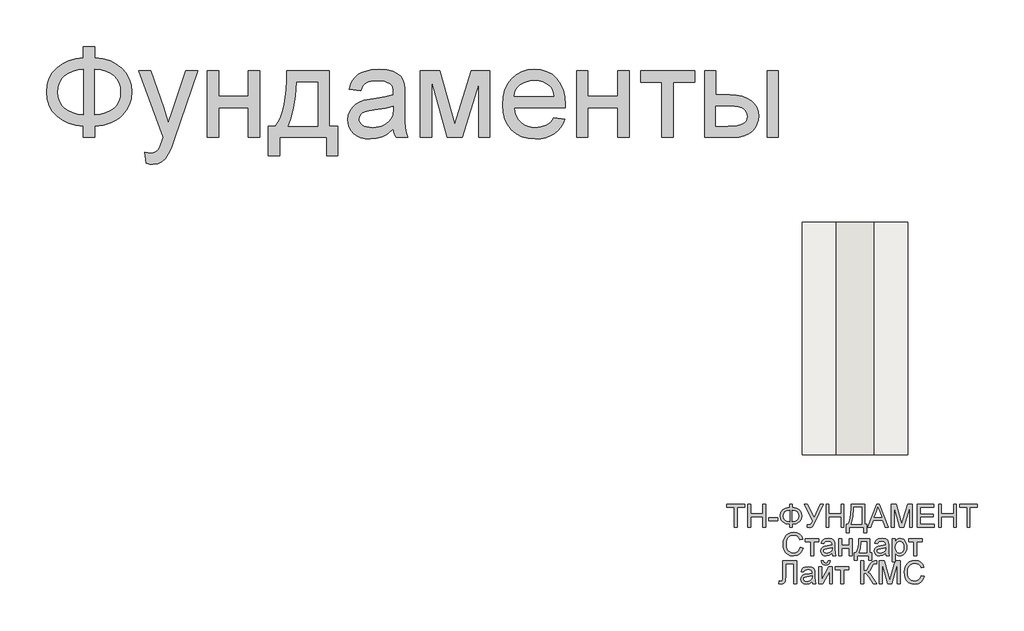
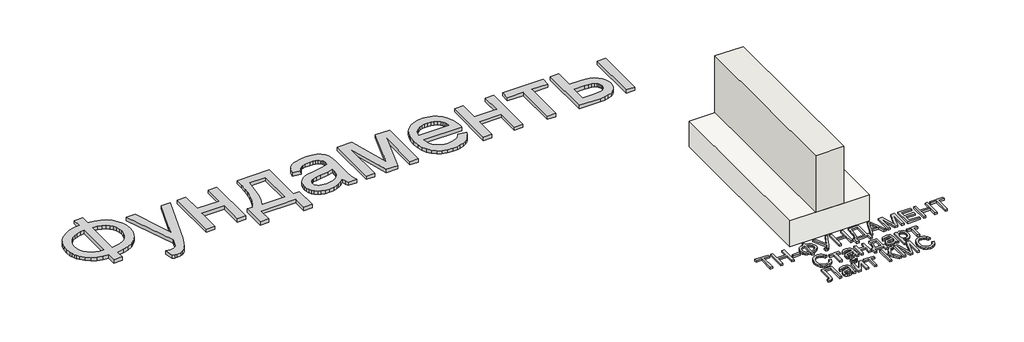
# One storey: 2 proxies, 1 slab, 1 wall.
"""IFC4 building model written with IfcOpenShell, lengths in millimetres."""

from ifc_helpers import new_model, si_unit, origin, origin_with_axes, place, context, project, spatial, polyline, outline, extrude, faceted_brep, element, save

model = new_model("IFC4")

# Units and contexts
model_context = context("Model", 3, world=origin())
ifc_project = project(units=[si_unit("LENGTHUNIT", "METRE", prefix="MILLI")], contexts=[model_context])

# Site, building, storey
site = spatial("IfcSite", under=ifc_project)
building = spatial("IfcBuilding", under=site)
storey = spatial("IfcBuildingStorey", under=building, Elevation=0.0)

# Proxies
placement = place(None, origin())
element("IfcBuildingElementProxy", 1, Name="Generic Models", at=placement, inside=storey, context=model_context, shape_type="SweptSolid", body=[
    extrude(outline(polyline([(-1939.8736325, -26885.7211043), (-1939.8736325, -26787.7817103), (-1841.9342386, -26787.7817103), (-1841.9342386, -26885.7211043), (-1772.0723186, -26894.3529698), (-1709.9695132, -26912.2144755), (-1655.6258224, -26939.3056213), (-1609.0412461, -26975.6264073), (-1571.6743546, -27019.0607113), (-1544.9837177, -27067.4924111), (-1528.9693356, -27120.9215067), (-1523.6312083, -27179.3479982), (-1528.8019587, -27236.6028514), (-1544.3142102, -27289.3863505), (-1570.1679625, -27337.6984954), (-1606.3632158, -27381.5392861), (-1628.1416397, -27401.1761824), (-1652.1109076, -27418.4817577), (-1706.6219753, -27446.0989452), (-1769.896419, -27464.3908486), (-1841.9342386, -27473.3574679), (-1841.9342386, -27571.2968619), (-1939.8736325, -27571.2968619), (-1939.8736325, -27473.3574679), (-2005.3060425, -27466.0586398), (-2065.0237272, -27449.518216), (-2119.0266865, -27423.7361966), (-2167.3149204, -27388.7125816), (-2207.0669327, -27345.8939854), (-2222.6837947, -27322.10405), (-2235.4612272, -27296.7270228), (-2245.3992303, -27269.7629041), (-2252.4978039, -27241.2116938), (-2258.1766628, -27179.3479982), (-2252.5157371, -27117.2033486), (-2245.4395801, -27088.5878775), (-2235.5329602, -27061.6103088), (-2222.7958774, -27036.2706426), (-2207.2283318, -27012.5688789), (-2188.8303234, -26990.5050176), (-2167.6018522, -26970.0790588), (-2119.4032845, -26935.3961753), (-2065.382392, -26909.775555), (-2005.5391746, -26893.217198), (-1939.8736325, -26885.7211043)]), holes=[polyline([(-1841.9342386, -26983.6604982), (-1841.9342386, -27375.418074), (-1793.3949393, -27370.2234125), (-1750.3073446, -27359.2303372), (-1712.6714545, -27342.4388481), (-1680.4872689, -27319.8489452), (-1654.7112272, -27291.9627591), (-1636.2997689, -27259.2824206), (-1625.2528939, -27221.8079296), (-1621.5706022, -27179.5392861), (-1625.1871387, -27137.922217), (-1636.036748, -27100.872146), (-1654.1194303, -27068.389073), (-1679.4351855, -27040.4729982), (-1711.2905951, -27017.6977852), (-1748.9922405, -27000.6372975), (-1792.5401216, -26989.2915352), (-1841.9342386, -26983.6604982)]), polyline([(-1939.8736325, -26983.6604982), (-1986.781007, -26988.5861611), (-2028.989873, -26999.3461043), (-2066.5002305, -27015.9403278), (-2099.3120795, -27038.3688316), (-2125.9668498, -27066.2012179), (-2145.0059715, -27099.0070891), (-2156.4294445, -27136.7864452), (-2160.2372689, -27179.5392861), (-2156.4772665, -27221.9035735), (-2145.1972594, -27259.4737085), (-2126.3972476, -27292.2496909), (-2100.077231, -27320.231521), (-2067.5044919, -27342.8692459), (-2029.9463124, -27359.612913), (-1987.4026926, -27370.4625224), (-1939.8736325, -27375.418074), (-1939.8736325, -26983.6604982)])]), origin_with_axes(), (0.0, 0.0, 1.0), 40.0),
    extrude(outline(polyline([(-1401.2069658, -27791.6604982), (-1413.4493901, -27697.355574), (-1386.764731, -27703.8115399), (-1363.7145416, -27705.9635285), (-1337.5559242, -27703.2615872), (-1317.2315871, -27695.1557634), (-1301.4025151, -27682.2199206), (-1288.7296931, -27665.0279225), (-1261.9493901, -27592.9123922), (-1254.2978749, -27569.1926952), (-1462.4190871, -26995.9029225), (-1359.1236325, -26995.9029225), (-1248.7505264, -27315.35368), (-1210.3016628, -27443.1339831), (-1171.8527992, -27330.2741346), (-1058.4190871, -26995.9029225), (-955.888784, -26995.9029225), (-1156.1671931, -27585.0695891), (-1185.9124583, -27663.4019755), (-1208.1974961, -27712.8498922), (-1234.8343333, -27753.6420323), (-1265.0099961, -27781.9048164), (-1300.0634999, -27798.403396), (-1341.3338598, -27803.9029225), (-1369.6922878, -27800.8423164), (-1401.2069658, -27791.6604982)])), origin_with_axes(), (0.0, 0.0, 1.0), 40.0),
    extrude(outline(polyline([(-874.7827234, -26995.9029225), (-776.8433295, -26995.9029225), (-776.8433295, -27216.2665588), (-519.7524204, -27216.2665588), (-519.7524204, -26995.9029225), (-421.8130264, -26995.9029225), (-421.8130264, -27571.2968619), (-519.7524204, -27571.2968619), (-519.7524204, -27314.2059528), (-776.8433295, -27314.2059528), (-776.8433295, -27571.2968619), (-874.7827234, -27571.2968619), (-874.7827234, -26995.9029225)])), origin_with_axes(), (0.0, 0.0, 1.0), 40.0),
    extrude(outline(polyline([(-189.2069658, -26995.9029225), (178.0657614, -26995.9029225), (178.0657614, -27473.3574679), (251.5203069, -27473.3574679), (251.5203069, -27730.448377), (153.5809129, -27730.448377), (153.5809129, -27571.2968619), (-250.4190871, -27571.2968619), (-250.4190871, -27730.448377), (-348.358481, -27730.448377), (-348.358481, -27473.3574679), (-287.1463598, -27473.3574679), (-263.2293972, -27436.3970631), (-242.648017, -27392.9448259), (-225.4022192, -27343.0007563), (-211.4920037, -27286.5648543), (-200.9173707, -27223.6371199), (-193.67832, -27154.2175531), (-189.7748517, -27078.306154), (-189.2069658, -26995.9029225)]), holes=[polyline([(-103.5099961, -27093.8423164), (-111.5440871, -27213.7559054), (-126.4645416, -27316.979627), (-148.2713598, -27403.5134812), (-161.7571552, -27440.521708), (-176.9645416, -27473.3574679), (80.1263675, -27473.3574679), (80.1263675, -27093.8423164), (-103.5099961, -27093.8423164)])]), origin_with_axes(), (0.0, 0.0, 1.0), 40.0),
    extrude(outline(polyline([(728.9748523, -27497.8423164), (682.181055, -27537.964949), (658.2640924, -27552.8256261), (634.0004205, -27564.2192103), (583.3330436, -27578.7092672), (529.079019, -27583.5392861), (485.4713604, -27580.6341014), (447.2317179, -27571.9185475), (414.3600914, -27557.3926242), (386.8564811, -27537.0563316), (365.1393291, -27512.2008628), (349.6270777, -27484.1174111), (340.3197269, -27452.8059764), (337.2172766, -27418.2665588), (341.9038296, -27377.6657066), (355.9634887, -27340.7949679), (377.650752, -27309.2324679), (405.2201175, -27284.5563316), (437.619502, -27265.9057634), (473.796822, -27252.4199679), (558.5373523, -27237.6908013), (658.6765569, -27222.1964831), (728.4009887, -27204.0241346), (728.9748523, -27182.2173164), (727.2891279, -27158.4737085), (722.2319546, -27138.5080361), (713.8033325, -27122.3202994), (702.0032614, -27109.9104982), (681.6071914, -27097.5246081), (656.7636781, -27088.6775437), (627.4727217, -27083.369305), (593.734322, -27081.5998922), (535.391519, -27086.3103562), (512.8195493, -27092.1984362), (494.6472008, -27100.4417482), (479.7147908, -27111.6858888), (466.8626364, -27126.5764547), (456.0907378, -27145.1134457), (447.3990948, -27167.2968619), (349.4597008, -27155.0544376), (366.4604111, -27101.4938316), (378.0990829, -27079.0175058), (391.829966, -27059.4104982), (408.2448571, -27042.2782776), (427.9355531, -27027.2263126), (450.902054, -27014.2546033), (477.1443599, -27003.3631497), (537.3283088, -26988.5861611), (606.359322, -26983.6604982), (672.5688391, -26988.0122975), (725.0534508, -27001.0676952), (764.6261307, -27020.6986138), (792.0998523, -27044.7769755), (810.3200228, -27074.5461516), (822.1320493, -27111.2495134), (825.718697, -27145.1074679), (826.9142463, -27196.9464831), (826.9142463, -27318.7968619), (828.1576175, -27424.9377236), (831.8877311, -27488.94743), (839.2523145, -27531.0068524), (851.3990948, -27571.2968619), (753.4597008, -27571.2968619), (737.7740948, -27537.2476194), (728.9748523, -27497.8423164)]), holes=[polyline([(728.9748523, -27301.9635285), (663.171822, -27318.2708202), (570.9710645, -27331.9957255), (520.1602217, -27339.5037747), (486.7087539, -27347.8726194), (464.7823807, -27358.7282066), (448.546822, -27373.6964831), (438.5042084, -27391.6297217), (435.1566705, -27411.3801952), (436.9798831, -27426.599537), (442.4495209, -27440.5037747), (451.5655839, -27453.0929083), (464.328072, -27464.3669376), (480.6174305, -27473.6563552), (500.3141042, -27480.2916535), (549.9293978, -27485.5998922), (602.5335645, -27479.7417009), (626.5401932, -27472.4189618), (649.016519, -27462.167127), (686.7002311, -27436.2715304), (712.9066705, -27405.450271), (724.5274092, -27373.6964831), (728.4009887, -27329.700271), (728.9748523, -27301.9635285)])]), origin_with_axes(), (0.0, 0.0, 1.0), 40.0),
    extrude(outline(polyline([(961.5809129, -26995.9029225), (1130.1055342, -26995.9029225), (1259.9900039, -27456.5241346), (1400.0127311, -26995.9029225), (1561.4597008, -26995.9029225), (1561.4597008, -27571.2968619), (1463.5203069, -27571.2968619), (1463.5203069, -27107.9976194), (1322.7324281, -27571.2968619), (1194.1869736, -27571.2968619), (1059.5203069, -27085.8082255), (1059.5203069, -27571.2968619), (961.5809129, -27571.2968619), (961.5809129, -26995.9029225)])), origin_with_axes(), (0.0, 0.0, 1.0), 40.0),
    extrude(outline(polyline([(2111.2210645, -27399.9029225), (2207.2475796, -27412.1453467), (2192.5243907, -27450.6061658), (2172.6483845, -27484.4999869), (2147.6195611, -27513.8268098), (2117.4379205, -27538.5866346), (2082.4143055, -27558.2534196), (2042.8595588, -27572.3011232), (1998.7736805, -27580.7297454), (1950.1566705, -27583.5392861), (1889.3869025, -27578.6913339), (1835.2404773, -27564.1474774), (1787.717395, -27539.9077165), (1746.8176554, -27505.9720513), (1713.9280957, -27463.2849656), (1690.4355531, -27412.7909433), (1676.3400275, -27354.4899845), (1671.641519, -27288.3820891), (1676.3878495, -27220.0325389), (1690.626841, -27159.7888126), (1714.3584934, -27107.6509102), (1747.5828069, -27063.6188316), (1788.374947, -27028.6370607), (1834.8100796, -27003.6500816), (1886.8882046, -26988.6578941), (1944.609322, -26983.6604982), (2000.4713604, -26988.6459386), (2050.9892936, -27003.6022596), (2096.1631218, -27028.5294613), (2135.9928448, -27063.4275437), (2168.5058064, -27107.3639783), (2191.7293504, -27159.4062369), (2205.6634769, -27219.5543192), (2210.3081857, -27287.8082255), (2209.734322, -27314.2059528), (1769.5809129, -27314.2059528), (1775.2537941, -27353.2884575), (1786.5338012, -27387.5170323), (1803.4209343, -27416.8916772), (1825.9151932, -27441.4123922), (1852.773207, -27460.7444234), (1882.7516042, -27474.5530172), (1915.850385, -27482.8381734), (1952.0695493, -27485.5998922), (2004.1954963, -27480.4829414), (2048.0960645, -27465.1320891), (2066.9618315, -27453.3798401), (2083.7712539, -27438.590896), (2098.5243315, -27420.7652567), (2111.2210645, -27399.9029225)]), holes=[polyline([(1769.5809129, -27216.2665588), (2112.3687917, -27216.2665588), (2107.3355294, -27188.5537274), (2099.1221061, -27164.5231876), (2087.7285218, -27144.1749395), (2073.1547766, -27127.5089831), (2046.4462065, -27107.4237558), (2016.0553448, -27093.0771649), (1981.9821914, -27084.4692103), (1944.2267463, -27081.5998922), (1909.7889504, -27083.889369), (1878.2085171, -27090.7577994), (1849.4854466, -27102.2051834), (1823.6197387, -27118.231521), (1801.9145422, -27138.0955716), (1785.6730057, -27161.0560948), (1774.8951293, -27187.1130906), (1769.5809129, -27216.2665588)])]), origin_with_axes(), (0.0, 0.0, 1.0), 40.0),
    extrude(outline(polyline([(2308.2475796, -26995.9029225), (2406.1869736, -26995.9029225), (2406.1869736, -27216.2665588), (2663.2778826, -27216.2665588), (2663.2778826, -26995.9029225), (2761.2172766, -26995.9029225), (2761.2172766, -27571.2968619), (2663.2778826, -27571.2968619), (2663.2778826, -27314.2059528), (2406.1869736, -27314.2059528), (2406.1869736, -27571.2968619), (2308.2475796, -27571.2968619), (2308.2475796, -26995.9029225)])), origin_with_axes(), (0.0, 0.0, 1.0), 40.0),
    extrude(outline(polyline([(2859.1566705, -26995.9029225), (3324.3687917, -26995.9029225), (3324.3687917, -27093.8423164), (3140.7324281, -27093.8423164), (3140.7324281, -27571.2968619), (3042.7930342, -27571.2968619), (3042.7930342, -27093.8423164), (2859.1566705, -27093.8423164), (2859.1566705, -26995.9029225)])), origin_with_axes(), (0.0, 0.0, 1.0), 40.0),
    extrude(outline(polyline([(3948.7324281, -26995.9029225), (4046.671822, -26995.9029225), (4046.671822, -27571.2968619), (3948.7324281, -27571.2968619), (3948.7324281, -26995.9029225)])), origin_with_axes(), (0.0, 0.0, 1.0), 40.0),
    extrude(outline(polyline([(3410.0657614, -26995.9029225), (3508.0051554, -26995.9029225), (3508.0051554, -27204.0241346), (3629.0903826, -27204.0241346), (3684.8089551, -27207.0907184), (3733.7487633, -27216.2904698), (3775.9098074, -27231.6233888), (3811.2920872, -27253.0894755), (3839.2858727, -27279.9474892), (3859.2814338, -27311.4561895), (3871.2787704, -27347.6155763), (3875.2778826, -27388.4256497), (3871.924367, -27424.8361019), (3861.8638201, -27458.5087463), (3845.096242, -27489.443583), (3821.6216326, -27517.6406119), (3790.7824399, -27541.1152212), (3751.9211118, -27557.8827994), (3705.0376483, -27567.9433462), (3650.1320493, -27571.2968619), (3410.0657614, -27571.2968619), (3410.0657614, -26995.9029225)]), holes=[polyline([(3508.0051554, -27473.3574679), (3608.6225796, -27473.3574679), (3686.6202122, -27468.2166062), (3715.8274802, -27461.790529), (3738.5070493, -27452.794021), (3755.495804, -27441.0716606), (3767.6306289, -27426.4680266), (3774.9115237, -27408.983119), (3777.3384887, -27388.6169376), (3775.5391871, -27372.1542245), (3770.1412823, -27356.6240399), (3761.1447742, -27342.0263836), (3748.5496629, -27328.3612558), (3729.8094286, -27316.8122501), (3702.3775512, -27308.5629603), (3666.2540308, -27303.6133865), (3621.4388675, -27301.9635285), (3508.0051554, -27301.9635285), (3508.0051554, -27473.3574679)])]), origin_with_axes(), (0.0, 0.0, 1.0), 40.0),
])
element("IfcBuildingElementProxy", 2, Name="Generic Models", at=placement, inside=storey, context=model_context, shape_type="SweptSolid", body=[
    extrude(outline(polyline([(3665.8459778, -30929.3289166), (3665.8459778, -30757.0212243), (3601.2305932, -30757.0212243), (3601.2305932, -30732.4058397), (3755.076747, -30732.4058397), (3755.076747, -30757.0212243), (3690.4613624, -30757.0212243), (3690.4613624, -30929.3289166), (3665.8459778, -30929.3289166)])), origin_with_axes(), (0.0, 0.0, 1.0), 20.0),
    extrude(outline(polyline([(3782.7690547, -30929.3289166), (3782.7690547, -30732.4058397), (3807.3844394, -30732.4058397), (3807.3844394, -30812.4058397), (3911.999824, -30812.4058397), (3911.999824, -30732.4058397), (3936.6152086, -30732.4058397), (3936.6152086, -30929.3289166), (3911.999824, -30929.3289166), (3911.999824, -30837.0212243), (3807.3844394, -30837.0212243), (3807.3844394, -30929.3289166), (3782.7690547, -30929.3289166)])), origin_with_axes(), (0.0, 0.0, 1.0), 20.0),
    extrude(outline(polyline([(3964.3075163, -30870.8673782), (3964.3075163, -30846.2519936), (4041.2305932, -30846.2519936), (4041.2305932, -30870.8673782), (3964.3075163, -30870.8673782)])), origin_with_axes(), (0.0, 0.0, 1.0), 20.0),
    extrude(outline(polyline([(4142.7690547, -30757.0212243), (4142.7690547, -30732.4058397), (4167.3844394, -30732.4058397), (4167.3844394, -30757.0212243), (4200.5515067, -30763.6798782), (4225.9180932, -30779.6173782), (4242.0178528, -30802.7063205), (4247.3844394, -30830.8193012), (4242.186122, -30858.4755512), (4226.5911701, -30881.6366089), (4201.3928528, -30897.8625705), (4167.3844394, -30904.713532), (4167.3844394, -30929.3289166), (4142.7690547, -30929.3289166), (4142.7690547, -30904.713532), (4111.3147278, -30898.7219455), (4085.6055932, -30883.4394936), (4075.6146076, -30872.6777748), (4068.4781894, -30860.3205032), (4062.7690547, -30830.8193012), (4068.4601605, -30801.2279551), (4075.5740427, -30788.9022339), (4085.5334778, -30778.2231474), (4111.2245836, -30763.0668974), (4142.7690547, -30757.0212243)]), holes=[polyline([(4142.7690547, -30781.6366089), (4120.3712182, -30785.5789166), (4102.6969394, -30795.3866089), (4091.2125644, -30810.6269936), (4087.3844394, -30830.8673782), (4091.1644874, -30850.9575224), (4102.5046317, -30866.2279551), (4120.1308336, -30876.1257916), (4142.7690547, -30880.0981474), (4142.7690547, -30781.6366089)]), polyline([(4167.3844394, -30781.6366089), (4167.3844394, -30880.0981474), (4190.4132855, -30876.0296378), (4207.9613624, -30866.1318012), (4219.0671317, -30850.9094455), (4222.7690547, -30830.8673782), (4219.1332374, -30811.0957436), (4208.2257855, -30795.9154551), (4190.7438144, -30785.9034359), (4167.3844394, -30781.6366089)])]), origin_with_axes(), (0.0, 0.0, 1.0), 20.0),
    extrude(outline(polyline([(4267.3844394, -30732.4058397), (4294.6440547, -30732.4058397), (4353.5382855, -30849.0404551), (4406.5190547, -30732.4058397), (4433.5382855, -30732.4058397), (4358.7786701, -30885.8193012), (4338.4421317, -30923.5116089), (4328.7906894, -30930.182282), (4315.701747, -30932.4058397), (4293.5382855, -30929.3289166), (4293.5382855, -30907.7904551), (4312.9132855, -30907.7904551), (4327.2882855, -30902.3096859), (4340.6055932, -30877.3577628), (4267.3844394, -30732.4058397)])), origin_with_axes(), (0.0, 0.0, 1.0), 20.0),
    extrude(outline(polyline([(4456.6152086, -30929.3289166), (4456.6152086, -30732.4058397), (4481.2305932, -30732.4058397), (4481.2305932, -30812.4058397), (4585.8459778, -30812.4058397), (4585.8459778, -30732.4058397), (4610.4613624, -30732.4058397), (4610.4613624, -30929.3289166), (4585.8459778, -30929.3289166), (4585.8459778, -30837.0212243), (4481.2305932, -30837.0212243), (4481.2305932, -30929.3289166), (4456.6152086, -30929.3289166)])), origin_with_axes(), (0.0, 0.0, 1.0), 20.0),
    extrude(outline(polyline([(4671.999824, -30732.4058397), (4788.9229009, -30732.4058397), (4788.9229009, -30904.713532), (4807.3844394, -30904.713532), (4807.3844394, -30975.4827628), (4782.7690547, -30975.4827628), (4782.7690547, -30929.3289166), (4656.6152086, -30929.3289166), (4656.6152086, -30975.4827628), (4631.999824, -30975.4827628), (4631.999824, -30904.713532), (4647.3844394, -30904.713532), (4658.1536701, -30882.3848061), (4665.8459778, -30850.9755512), (4670.4613624, -30810.4857676), (4671.999824, -30760.9154551), (4671.999824, -30732.4058397)]), holes=[polyline([(4764.3075163, -30757.0212243), (4696.6152086, -30757.0212243), (4696.6152086, -30766.9250705), (4691.6152086, -30834.3769936), (4684.2113624, -30873.3553589), (4671.999824, -30904.713532), (4764.3075163, -30904.713532), (4764.3075163, -30757.0212243)])]), origin_with_axes(), (0.0, 0.0, 1.0), 20.0),
    extrude(outline(polyline([(4815.2209778, -30929.3289166), (4893.826747, -30732.4058397), (4914.7882855, -30732.4058397), (4993.3940547, -30929.3289166), (4967.3844394, -30929.3289166), (4944.8363624, -30867.7904551), (4863.7305932, -30867.7904551), (4841.2305932, -30929.3289166), (4815.2209778, -30929.3289166)]), holes=[polyline([(4872.7690547, -30843.1750705), (4935.8459778, -30843.1750705), (4918.1055932, -30794.7616089), (4904.3075163, -30757.0212243), (4892.0479009, -30790.5308397), (4872.7690547, -30843.1750705)])]), origin_with_axes(), (0.0, 0.0, 1.0), 20.0),
    extrude(outline(polyline([(5019.6921317, -30929.3289166), (5019.6921317, -30732.4058397), (5062.0479009, -30732.4058397), (5102.3363624, -30871.2039166), (5110.4613624, -30900.1943012), (5119.2594394, -30868.8000705), (5158.874824, -30732.4058397), (5201.2305932, -30732.4058397), (5201.2305932, -30929.3289166), (5176.6152086, -30929.3289166), (5176.6152086, -30757.0212243), (5127.1440547, -30929.3289166), (5093.7786701, -30929.3289166), (5044.3075163, -30757.0212243), (5044.3075163, -30929.3289166), (5019.6921317, -30929.3289166)])), origin_with_axes(), (0.0, 0.0, 1.0), 20.0),
    extrude(outline(polyline([(5244.3075163, -30929.3289166), (5244.3075163, -30732.4058397), (5385.8459778, -30732.4058397), (5385.8459778, -30757.0212243), (5268.9229009, -30757.0212243), (5268.9229009, -30815.4827628), (5379.6921317, -30815.4827628), (5379.6921317, -30840.0981474), (5268.9229009, -30840.0981474), (5268.9229009, -30904.713532), (5388.9229009, -30904.713532), (5388.9229009, -30929.3289166), (5244.3075163, -30929.3289166)])), origin_with_axes(), (0.0, 0.0, 1.0), 20.0),
    extrude(outline(polyline([(5425.8459778, -30929.3289166), (5425.8459778, -30732.4058397), (5450.4613624, -30732.4058397), (5450.4613624, -30812.4058397), (5555.076747, -30812.4058397), (5555.076747, -30732.4058397), (5579.6921317, -30732.4058397), (5579.6921317, -30929.3289166), (5555.076747, -30929.3289166), (5555.076747, -30837.0212243), (5450.4613624, -30837.0212243), (5450.4613624, -30929.3289166), (5425.8459778, -30929.3289166)])), origin_with_axes(), (0.0, 0.0, 1.0), 20.0),
    extrude(outline(polyline([(5671.999824, -30929.3289166), (5671.999824, -30757.0212243), (5607.3844394, -30757.0212243), (5607.3844394, -30732.4058397), (5761.2305932, -30732.4058397), (5761.2305932, -30757.0212243), (5696.6152086, -30757.0212243), (5696.6152086, -30929.3289166), (5671.999824, -30929.3289166)])), origin_with_axes(), (0.0, 0.0, 1.0), 20.0),
    extrude(outline(polyline([(4235.076747, -31102.4058397), (4259.6921317, -31108.7519936), (4248.3339586, -31137.4358878), (4230.5094394, -31158.3914166), (4207.0959778, -31171.2099262), (4178.9709778, -31175.4827628), (4150.4192951, -31172.2495897), (4127.7450163, -31162.5500705), (4110.3652086, -31146.7207436), (4097.6969394, -31125.0981474), (4089.9625644, -31099.6774743), (4087.3844394, -31072.4539166), (4090.2991028, -31043.7399743), (4099.0430932, -31018.9443012), (4113.1596797, -30998.854157), (4132.1921317, -30984.2568012), (4154.764247, -30975.3685801), (4179.499824, -30972.4058397), (4206.4890067, -30976.2399743), (4228.8027086, -30987.7423782), (4245.7438144, -31006.2039166), (4256.6152086, -31030.9154551), (4231.999824, -31036.7808397), (4223.4661701, -31018.8301186), (4211.8075163, -31006.5164166), (4196.8796317, -30999.3950224), (4178.5382855, -30997.0212243), (4157.3964586, -30999.6534359), (4140.0286701, -31007.5500705), (4126.8495836, -31019.8818012), (4118.2738624, -31035.8193012), (4113.5683336, -31053.8361282), (4111.999824, -31072.4058397), (4113.8567951, -31095.1462243), (4119.4277086, -31114.8096859), (4128.9229009, -31130.6450224), (4142.5527086, -31141.901032), (4158.8928528, -31148.6257916), (4176.5190547, -31150.8673782), (4197.0659297, -31147.8144936), (4214.187324, -31138.6558397), (4227.1140067, -31123.4875705), (4235.076747, -31102.4058397)])), origin_with_axes(), (0.0, 0.0, 1.0), 20.0),
    extrude(outline(polyline([(4278.1536701, -31027.7904551), (4395.076747, -31027.7904551), (4395.076747, -31052.4058397), (4348.9229009, -31052.4058397), (4348.9229009, -31172.4058397), (4324.3075163, -31172.4058397), (4324.3075163, -31052.4058397), (4278.1536701, -31052.4058397), (4278.1536701, -31027.7904551)])), origin_with_axes(), (0.0, 0.0, 1.0), 20.0),
    extrude(outline(polyline([(4508.9229009, -31153.9443012), (4485.0527086, -31170.6269936), (4458.6825163, -31175.4827628), (4438.1116028, -31172.5620897), (4422.937324, -31163.8000705), (4413.5803528, -31150.494782), (4410.4613624, -31133.9443012), (4415.1729009, -31114.4731474), (4427.5527086, -31100.338532), (4444.7882855, -31092.2616089), (4466.0863624, -31088.5596859), (4508.7786701, -31080.0981474), (4508.9229009, -31074.6173782), (4507.2281894, -31063.6318012), (4502.1440547, -31056.4443012), (4490.7738624, -31051.1077628), (4474.9325163, -31049.3289166), (4450.0286701, -31054.0644936), (4443.045497, -31060.6330032), (4438.1536701, -31070.8673782), (4413.5382855, -31067.7904551), (4424.187324, -31043.7519936), (4433.2618432, -31035.6630512), (4445.6296317, -31029.6654551), (4478.1055932, -31024.713532), (4507.937324, -31029.088532), (4524.7882855, -31040.0741089), (4532.3363624, -31056.7808397), (4533.5382855, -31078.3193012), (4533.5382855, -31108.9443012), (4534.7882855, -31151.7087243), (4539.6921317, -31172.4058397), (4515.076747, -31172.4058397), (4508.9229009, -31153.9443012)]), holes=[polyline([(4508.9229009, -31104.713532), (4469.2113624, -31112.2616089), (4448.0334778, -31116.2519936), (4438.4421317, -31122.7423782), (4435.076747, -31132.213532), (4436.9096797, -31139.5332436), (4442.4084778, -31145.5308397), (4451.452949, -31149.5332436), (4463.9229009, -31150.8673782), (4477.1440547, -31149.3950224), (4488.826747, -31144.9779551), (4504.8844394, -31130.7231474), (4508.7786701, -31111.6846859), (4508.9229009, -31104.713532)])]), origin_with_axes(), (0.0, 0.0, 1.0), 20.0),
    extrude(outline(polyline([(4567.3844394, -31027.7904551), (4591.999824, -31027.7904551), (4591.999824, -31083.1750705), (4656.6152086, -31083.1750705), (4656.6152086, -31027.7904551), (4681.2305932, -31027.7904551), (4681.2305932, -31172.4058397), (4656.6152086, -31172.4058397), (4656.6152086, -31107.7904551), (4591.999824, -31107.7904551), (4591.999824, -31172.4058397), (4567.3844394, -31172.4058397), (4567.3844394, -31027.7904551)])), origin_with_axes(), (0.0, 0.0, 1.0), 20.0),
    extrude(outline(polyline([(4739.6921317, -31027.7904551), (4831.999824, -31027.7904551), (4831.999824, -31147.7904551), (4850.4613624, -31147.7904551), (4850.4613624, -31212.4058397), (4825.8459778, -31212.4058397), (4825.8459778, -31172.4058397), (4724.3075163, -31172.4058397), (4724.3075163, -31212.4058397), (4699.6921317, -31212.4058397), (4699.6921317, -31147.7904551), (4715.076747, -31147.7904551), (4726.2606413, -31127.5801186), (4734.0911701, -31100.8433397), (4738.5683336, -31067.5801186), (4739.6921317, -31027.7904551)]), holes=[polyline([(4761.2305932, -31052.4058397), (4755.4613624, -31108.4875705), (4742.7690547, -31147.7904551), (4807.3844394, -31147.7904551), (4807.3844394, -31052.4058397), (4761.2305932, -31052.4058397)])]), origin_with_axes(), (0.0, 0.0, 1.0), 20.0),
    extrude(outline(polyline([(4970.4613624, -31153.9443012), (4946.5911701, -31170.6269936), (4920.2209778, -31175.4827628), (4899.6500644, -31172.5620897), (4884.4757855, -31163.8000705), (4875.1188144, -31150.494782), (4871.999824, -31133.9443012), (4876.7113624, -31114.4731474), (4889.0911701, -31100.338532), (4906.326747, -31092.2616089), (4927.624824, -31088.5596859), (4970.3171317, -31080.0981474), (4970.4613624, -31074.6173782), (4968.7666509, -31063.6318012), (4963.6825163, -31056.4443012), (4952.312324, -31051.1077628), (4936.4709778, -31049.3289166), (4911.5671317, -31054.0644936), (4904.5839586, -31060.6330032), (4899.6921317, -31070.8673782), (4875.076747, -31067.7904551), (4885.7257855, -31043.7519936), (4894.8003047, -31035.6630512), (4907.1680932, -31029.6654551), (4939.6440547, -31024.713532), (4969.4757855, -31029.088532), (4986.326747, -31040.0741089), (4993.874824, -31056.7808397), (4995.076747, -31078.3193012), (4995.076747, -31108.9443012), (4996.326747, -31151.7087243), (5001.2305932, -31172.4058397), (4976.6152086, -31172.4058397), (4970.4613624, -31153.9443012)]), holes=[polyline([(4970.4613624, -31104.713532), (4930.749824, -31112.2616089), (4909.5719394, -31116.2519936), (4899.9805932, -31122.7423782), (4896.6152086, -31132.213532), (4898.4481413, -31139.5332436), (4903.9469394, -31145.5308397), (4912.9914105, -31149.5332436), (4925.4613624, -31150.8673782), (4938.6825163, -31149.3950224), (4950.3652086, -31144.9779551), (4966.4229009, -31130.7231474), (4970.3171317, -31111.6846859), (4970.4613624, -31104.713532)])]), origin_with_axes(), (0.0, 0.0, 1.0), 20.0),
    extrude(outline(polyline([(5028.9229009, -31227.7904551), (5028.9229009, -31027.7904551), (5053.5382855, -31027.7904551), (5053.5382855, -31051.9250705), (5070.5575163, -31031.5164166), (5081.0382855, -31026.4142532), (5093.5382855, -31024.713532), (5110.1849201, -31027.0933397), (5124.7402086, -31034.2327628), (5136.5911701, -31045.6991089), (5145.124824, -31061.0596859), (5150.281074, -31079.1967051), (5151.999824, -31098.9923782), (5150.0587182, -31120.0440609), (5144.2354009, -31138.8721859), (5134.7161701, -31154.5212243), (5121.687324, -31166.0356474), (5106.5130451, -31173.1209839), (5090.5575163, -31175.4827628), (5079.2414105, -31173.9022339), (5069.139247, -31169.1606474), (5053.5382855, -31153.1750705), (5053.5382855, -31227.7904551), (5028.9229009, -31227.7904551)]), holes=[polyline([(5053.5382855, -31101.2519936), (5056.2005451, -31123.3193012), (5064.187324, -31138.7519936), (5075.9721797, -31147.838532), (5090.0286701, -31150.8673782), (5104.3135259, -31147.7303589), (5116.3988624, -31138.3193012), (5124.6380451, -31122.3217051), (5127.3844394, -31099.4250705), (5124.7041509, -31077.4779551), (5116.6632855, -31061.8289166), (5104.8964586, -31052.4539166), (5091.0382855, -31049.3289166), (5077.1260259, -31052.6522339), (5064.9084778, -31062.6221859), (5056.3808336, -31078.9262724), (5053.5382855, -31101.2519936)])]), origin_with_axes(), (0.0, 0.0, 1.0), 20.0),
    extrude(outline(polyline([(5167.3844394, -31027.7904551), (5284.3075163, -31027.7904551), (5284.3075163, -31052.4058397), (5238.1536701, -31052.4058397), (5238.1536701, -31172.4058397), (5213.5382855, -31172.4058397), (5213.5382855, -31052.4058397), (5167.3844394, -31052.4058397), (5167.3844394, -31027.7904551)])), origin_with_axes(), (0.0, 0.0, 1.0), 20.0),
    extrude(outline(polyline([(4084.3075163, -31218.5596859), (4204.3075163, -31218.5596859), (4204.3075163, -31415.4827628), (4179.6921317, -31415.4827628), (4179.6921317, -31243.1750705), (4108.9229009, -31243.1750705), (4108.9229009, -31343.6558397), (4106.062324, -31388.4875705), (4101.6332374, -31401.1558397), (4094.0671317, -31410.651032), (4083.7065547, -31416.5825224), (4070.8940547, -31418.5596859), (4050.4613624, -31415.4827628), (4053.5382855, -31390.8673782), (4065.3171317, -31393.9443012), (4073.640449, -31392.291657), (4079.5719394, -31387.3337243), (4083.123622, -31376.2459839), (4084.3075163, -31356.2039166), (4084.3075163, -31218.5596859)])), origin_with_axes(), (0.0, 0.0, 1.0), 20.0),
    extrude(outline(polyline([(4336.6152086, -31397.0212243), (4312.7450163, -31413.7039166), (4286.374824, -31418.5596859), (4265.8039105, -31415.6390128), (4250.6296317, -31406.8769936), (4241.2726605, -31393.5717051), (4238.1536701, -31377.0212243), (4242.8652086, -31357.5500705), (4255.2450163, -31343.4154551), (4272.4805932, -31335.338532), (4293.7786701, -31331.6366089), (4336.4709778, -31323.1750705), (4336.6152086, -31317.6943012), (4334.920497, -31306.7087243), (4329.8363624, -31299.5212243), (4318.4661701, -31294.1846859), (4302.624824, -31292.4058397), (4277.7209778, -31297.1414166), (4270.7378047, -31303.7099262), (4265.8459778, -31313.9443012), (4241.2305932, -31310.8673782), (4251.8796317, -31286.8289166), (4260.9541509, -31278.7399743), (4273.3219394, -31272.7423782), (4305.7979009, -31267.7904551), (4335.6296317, -31272.1654551), (4352.4805932, -31283.151032), (4360.0286701, -31299.8577628), (4361.2305932, -31321.3962243), (4361.2305932, -31352.0212243), (4362.4805932, -31394.7856474), (4367.3844394, -31415.4827628), (4342.7690547, -31415.4827628), (4336.6152086, -31397.0212243)]), holes=[polyline([(4336.6152086, -31347.7904551), (4296.9036701, -31355.338532), (4275.7257855, -31359.3289166), (4266.1344394, -31365.8193012), (4262.7690547, -31375.2904551), (4264.6019874, -31382.6101666), (4270.1007855, -31388.6077628), (4279.1452567, -31392.6101666), (4291.6152086, -31393.9443012), (4304.8363624, -31392.4719455), (4316.5190547, -31388.0548782), (4332.576747, -31373.8000705), (4336.4709778, -31354.7616089), (4336.6152086, -31347.7904551)])]), origin_with_axes(), (0.0, 0.0, 1.0), 20.0),
    extrude(outline(polyline([(4475.076747, -31218.5596859), (4493.5382855, -31218.5596859), (4489.5659297, -31234.322907), (4481.5911701, -31245.9394936), (4469.9745836, -31253.0969455), (4455.076747, -31255.4827628), (4438.9108817, -31253.1149743), (4426.374824, -31246.0116089), (4417.8051124, -31234.4130512), (4413.5382855, -31218.5596859), (4431.999824, -31218.5596859), (4438.9229009, -31232.4298782), (4452.8652086, -31237.0212243), (4468.1536701, -31232.5741089), (4475.076747, -31218.5596859)])), origin_with_axes(), (0.0, 0.0, 1.0), 20.0),
    extrude(outline(polyline([(4395.076747, -31270.8673782), (4419.6921317, -31270.8673782), (4419.6921317, -31381.1558397), (4480.1729009, -31270.8673782), (4511.999824, -31270.8673782), (4511.999824, -31415.4827628), (4487.3844394, -31415.4827628), (4487.3844394, -31305.8673782), (4427.2882855, -31415.4827628), (4395.076747, -31415.4827628), (4395.076747, -31270.8673782)])), origin_with_axes(), (0.0, 0.0, 1.0), 20.0),
    extrude(outline(polyline([(4536.6152086, -31270.8673782), (4653.5382855, -31270.8673782), (4653.5382855, -31295.4827628), (4607.3844394, -31295.4827628), (4607.3844394, -31415.4827628), (4582.7690547, -31415.4827628), (4582.7690547, -31295.4827628), (4536.6152086, -31295.4827628), (4536.6152086, -31270.8673782)])), origin_with_axes(), (0.0, 0.0, 1.0), 20.0),
    extrude(outline(polyline([(4755.076747, -31218.5596859), (4779.6921317, -31218.5596859), (4779.6921317, -31304.713532), (4796.3567951, -31303.0849262), (4807.2161701, -31298.1991089), (4815.9962182, -31286.7027147), (4826.4229009, -31265.2423782), (4840.0046317, -31237.7183397), (4855.389247, -31224.088532), (4877.3844394, -31218.5596859), (4893.5382855, -31218.8481474), (4893.5382855, -31243.463532), (4888.1055932, -31243.3193012), (4882.6729009, -31243.1750705), (4871.3988624, -31244.6534359), (4863.4421317, -31249.088532), (4848.826747, -31274.4250705), (4831.3988624, -31305.2904551), (4814.4036701, -31315.4827628), (4833.406074, -31326.6125705), (4852.1440547, -31349.8096859), (4893.5382855, -31415.4827628), (4864.9805932, -31415.4827628), (4829.9805932, -31360.0019936), (4805.3411701, -31331.0356474), (4793.9649682, -31325.1402147), (4779.6921317, -31323.1750705), (4779.6921317, -31415.4827628), (4755.076747, -31415.4827628), (4755.076747, -31218.5596859)])), origin_with_axes(), (0.0, 0.0, 1.0), 20.0),
    extrude(outline(polyline([(4915.076747, -31415.4827628), (4915.076747, -31218.5596859), (4957.4325163, -31218.5596859), (4997.7209778, -31357.3577628), (5005.8459778, -31386.3481474), (5014.6440547, -31354.9539166), (5054.2594394, -31218.5596859), (5096.6152086, -31218.5596859), (5096.6152086, -31415.4827628), (5071.999824, -31415.4827628), (5071.999824, -31243.1750705), (5022.5286701, -31415.4827628), (4989.1632855, -31415.4827628), (4939.6921317, -31243.1750705), (4939.6921317, -31415.4827628), (4915.076747, -31415.4827628)])), origin_with_axes(), (0.0, 0.0, 1.0), 20.0),
    extrude(outline(polyline([(5278.1536701, -31345.4827628), (5302.7690547, -31351.8289166), (5291.4108817, -31380.5128109), (5273.5863624, -31401.4683397), (5250.1729009, -31414.2868493), (5222.0479009, -31418.5596859), (5193.4962182, -31415.3265128), (5170.8219394, -31405.6269936), (5153.4421317, -31389.7976666), (5140.7738624, -31368.1750705), (5133.0394874, -31342.7543974), (5130.4613624, -31315.5308397), (5133.3760259, -31286.8168974), (5142.1200163, -31262.0212243), (5156.2366028, -31241.9310801), (5175.2690547, -31227.3337243), (5197.8411701, -31218.4455032), (5222.576747, -31215.4827628), (5249.5659297, -31219.3168974), (5271.8796317, -31230.8193012), (5288.8207374, -31249.2808397), (5299.6921317, -31273.9923782), (5275.076747, -31279.8577628), (5266.5430932, -31261.9070416), (5254.8844394, -31249.5933397), (5239.9565547, -31242.4719455), (5221.6152086, -31240.0981474), (5200.4733817, -31242.7303589), (5183.1055932, -31250.6269936), (5169.9265067, -31262.9587243), (5161.3507855, -31278.8962243), (5156.6452567, -31296.9130512), (5155.076747, -31315.4827628), (5156.9337182, -31338.2231474), (5162.5046317, -31357.8866089), (5171.999824, -31373.7219455), (5185.6296317, -31384.9779551), (5201.9697759, -31391.7027147), (5219.5959778, -31393.9443012), (5240.1428528, -31390.8914166), (5257.264247, -31381.7327628), (5270.1909297, -31366.5644936), (5278.1536701, -31345.4827628)])), origin_with_axes(), (0.0, 0.0, 1.0), 20.0),
])

# Slab
element("IfcSlab", 3, at=placement, inside=storey, context=model_context, shape_type="Brep", body=[
    faceted_brep([(4250.8955952, -28302.6148653, -314.0), (5161.8955952, -28302.6148653, -314.0), (5161.8955952, -30302.6148653, -314.0), (4250.8955952, -30302.6148653, -314.0), (4250.8955952, -28302.6148653, 0.0), (4250.8955952, -30302.6148653, 0.0), (4545.3955952, -30302.6148653, 0.0), (4867.3955952, -30302.6148653, 0.0), (5161.8955952, -30302.6148653, 0.0), (5161.8955952, -28302.6148653, 0.0), (4867.3955952, -28302.6148653, 0.0), (4545.3955952, -28302.6148653, 0.0)], [[[0, 1, 2, 3]], [[4, 5, 6, 7, 8, 9, 10, 11]], [[1, 0, 4, 11, 10, 9]], [[2, 1, 9, 8]], [[3, 2, 8, 7, 6, 5]], [[0, 3, 5, 4]]]),
])

# Wall
element("IfcWall", 4, at=placement, inside=storey, context=model_context, shape_type="SweptSolid", body=[
    extrude(outline(polyline([(4545.3955952, -30302.6148653), (4545.3955952, -28302.6148653), (4867.3955952, -28302.6148653), (4867.3955952, -30302.6148653), (4545.3955952, -30302.6148653)])), origin_with_axes(), (0.0, 0.0, 1.0), 689.0),
])

save(model, "model.ifc")
